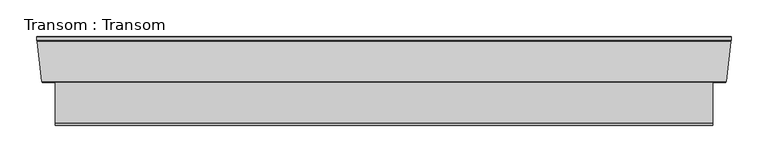
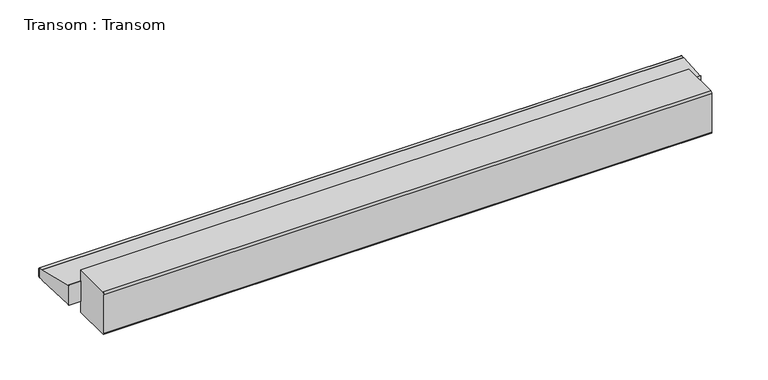
"""IFC4 building model written with IfcOpenShell, lengths in millimetres: proxy geometry, Transom : Transom."""

import ifcopenshell
import ifcopenshell.guid

model = None  # the IFC model being written
_history = None  # IfcOwnerHistory: only IFC2X3 demands one
_inside = {}  # id of a spatial element -> (the spatial element, [elements in it])
_under = {}  # id of a project, library or spatial element -> (it, [spatial elements below it])
_declared = {}  # id of a project -> (the project, [libraries it declares])
_typed = {}  # id of a type object -> (the type object, [elements of that type])
_made_of = {}  # id of a material, layer set ... -> (it, [elements and type objects made of it])


def new_model(schema):
    """Start an empty IFC model of exactly this schema.

    Asked for "IFC4X3", IfcOpenShell would pick the latest addendum, in which some entities
    have other attributes; the version numbers below select the first issue.
    IFC2X3 requires an IfcOwnerHistory on every rooted entity: one is made here for all.
    """
    global model, _history
    if schema == "IFC4X3":
        model = ifcopenshell.file(schema_version=(4, 3, 0, 0))
    else:
        model = ifcopenshell.file(schema=schema)
    _inside.clear()
    _under.clear()
    _declared.clear()
    _typed.clear()
    _made_of.clear()
    _history = None
    if model.schema == "IFC2X3":
        org = make("IfcOrganization", Name="unknown")
        user = make(
            "IfcPersonAndOrganization",
            ThePerson=make("IfcPerson", FamilyName="unknown"),
            TheOrganization=org,
        )
        app = make(
            "IfcApplication",
            ApplicationDeveloper=org,
            Version="unknown",
            ApplicationFullName="unknown",
            ApplicationIdentifier="unknown",
        )
        _history = make(
            "IfcOwnerHistory",
            OwningUser=user,
            OwningApplication=app,
            ChangeAction="ADDED",
            CreationDate=0,
        )
    return model


def make(cls, **values):
    """One entity of the class cls with the attributes given. An attribute that is None is left unset."""
    return model.create_entity(
        cls, **{name: value for name, value in values.items() if value is not None}
    )


def rooted(cls, **values):
    """An entity with a GlobalId (a new one), such as an element, a storey or a relation."""
    return make(cls, GlobalId=ifcopenshell.guid.new(), OwnerHistory=_history, **values)


def si_unit(unit_type, name, prefix=None):
    """IfcSIUnit, for example si_unit("LENGTHUNIT", "METRE", prefix="MILLI")."""
    return make("IfcSIUnit", UnitType=unit_type, Prefix=prefix, Name=name)


def assignment(units):
    """IfcUnitAssignment: the units of a project."""
    return None if units is None else make("IfcUnitAssignment", Units=units)


def point(xyz):
    """IfcCartesianPoint."""
    return None if xyz is None else make("IfcCartesianPoint", Coordinates=xyz)


def direction(xyz):
    """IfcDirection."""
    return None if xyz is None else make("IfcDirection", DirectionRatios=xyz)


def frame(location, z_axis=None, x_axis=None):
    """IfcAxis2Placement3D, a coordinate frame: its origin and axes. An axis left out is left unset."""
    return make(
        "IfcAxis2Placement3D",
        Location=point(location),
        Axis=direction(z_axis),
        RefDirection=direction(x_axis),
    )


def origin():
    """The frame at (0, 0, 0) with its axes left unset."""
    return frame((0.0, 0.0, 0.0))


def place(relative_to, where):
    """IfcLocalPlacement: puts the frame where relative to a parent placement (None: the world)."""
    return make(
        "IfcLocalPlacement", PlacementRelTo=relative_to, RelativePlacement=where
    )


def context(
    kind, dimensions, precision=None, world=None, true_north=None, identifier=None
):
    """IfcGeometricRepresentationContext, for example the 3D "Model" context."""
    return make(
        "IfcGeometricRepresentationContext",
        ContextIdentifier=identifier,
        ContextType=kind,
        CoordinateSpaceDimension=dimensions,
        Precision=precision,
        WorldCoordinateSystem=world,
        TrueNorth=true_north,
    )


def project(units=None, contexts=None):
    """IfcProject with its units and contexts."""
    return rooted(
        "IfcProject",
        Name="project",
        RepresentationContexts=contexts,
        UnitsInContext=assignment(units),
    )


def spatial(cls, under=None, at=None, **own):
    """A site, building, storey or space (cls), placed at a placement, below another one or the project."""
    s = rooted(cls, ObjectPlacement=at, **own)
    if under is not None:
        _under.setdefault(under.id(), (under, []))[1].append(s)
    return s


def polyline(points):
    """IfcPolyline through the points."""
    return make("IfcPolyline", Points=[point(p) for p in points])


def circle_curve(where, radius):
    """IfcCircle in the frame where."""
    return make("IfcCircle", Position=where, Radius=radius)


def ellipse_curve(where, semi_axis1, semi_axis2):
    """IfcEllipse in the frame where."""
    return make(
        "IfcEllipse", Position=where, SemiAxis1=semi_axis1, SemiAxis2=semi_axis2
    )


def shape(context_of_items, identifier, shape_type, items):
    """IfcShapeRepresentation: the items that make up one representation, for example the "Body"."""
    return make(
        "IfcShapeRepresentation",
        ContextOfItems=context_of_items,
        RepresentationIdentifier=identifier,
        RepresentationType=shape_type,
        Items=items,
    )


def source(mapping_origin, context_of_items, identifier, shape_type, items):
    """IfcRepresentationMap: a shape defined once, which mapped items show again and again."""
    return make(
        "IfcRepresentationMap",
        MappingOrigin=mapping_origin,
        MappedRepresentation=shape(context_of_items, identifier, shape_type, items),
    )


def transform(
    local_origin,
    x_axis=None,
    y_axis=None,
    z_axis=None,
    scale=None,
    scale2=None,
    scale3=None,
    uniform=True,
):
    """IfcCartesianTransformationOperator3D, or its non-uniform kind. x_axis, y_axis, z_axis: its Axis1, 2, 3."""
    if uniform:
        return make(
            "IfcCartesianTransformationOperator3D",
            Axis1=direction(x_axis),
            Axis2=direction(y_axis),
            LocalOrigin=point(local_origin),
            Scale=scale,
            Axis3=direction(z_axis),
        )
    return make(
        "IfcCartesianTransformationOperator3DnonUniform",
        Axis1=direction(x_axis),
        Axis2=direction(y_axis),
        LocalOrigin=point(local_origin),
        Scale=scale,
        Axis3=direction(z_axis),
        Scale2=scale2,
        Scale3=scale3,
    )


def mapped(mapping_source, mapping_target):
    """IfcMappedItem: shows the shape of a source again, moved by a transform."""
    return make(
        "IfcMappedItem", MappingSource=mapping_source, MappingTarget=mapping_target
    )


def made_of(thing, what):
    """Note that an element or type object is made of a material, layer set ...; save() writes the relation."""
    if what is not None:
        _made_of.setdefault(what.id(), (what, []))[1].append(thing)
    return thing


def element(
    cls,
    number,
    at=None,
    inside=None,
    cuts=None,
    type_object=None,
    material=None,
    context=None,
    identifier="Body",
    shape_type=None,
    held_by="IfcProductDefinitionShape",
    body=None,
    shapes=None,
    **own,
):
    """One element of the class cls, such as IfcWall. Its Tag is "e" and its number.

    at: its placement. inside: the storey or other place that contains it. cuts: it is an
    opening in that element (IfcRelVoidsElement). A single representation is given by context,
    identifier, shape_type and body (its items); several are given by shapes. held_by: the class
    of the entity that holds the representations. save() writes the other relations.
    """
    e = rooted(cls, Tag="e%d" % number, ObjectPlacement=at, **own)
    if body is not None:
        shapes = [shape(context, identifier, shape_type, body)]
    if shapes is not None:
        e.Representation = make(held_by, Representations=shapes)
    if inside is not None:
        _inside.setdefault(inside.id(), (inside, []))[1].append(e)
    if cuts is not None:
        rooted(
            "IfcRelVoidsElement", RelatingBuildingElement=cuts, RelatedOpeningElement=e
        )
    if type_object is not None:
        _typed.setdefault(type_object.id(), (type_object, []))[1].append(e)
    return made_of(e, material)


def aggregate(whole, parts):
    """IfcRelAggregates: a whole, such as a stair, and the parts it consists of."""
    return rooted("IfcRelAggregates", RelatingObject=whole, RelatedObjects=parts)


def save(model, path):
    """Write the relations noted so far, then the file.

    IfcRelAggregates (storeys below a building ...), IfcRelContainedInSpatialStructure (elements
    in a storey), IfcRelDefinesByType, IfcRelAssociatesMaterial and IfcRelDeclares: one each for
    every whole, place, type object, material and project.
    """
    for whole, parts in _under.values():
        aggregate(whole, parts)
    for where, things in _inside.values():
        rooted(
            "IfcRelContainedInSpatialStructure",
            RelatedElements=things,
            RelatingStructure=where,
        )
    for kind, things in _typed.values():
        rooted("IfcRelDefinesByType", RelatedObjects=things, RelatingType=kind)
    for what, things in _made_of.values():
        rooted("IfcRelAssociatesMaterial", RelatedObjects=things, RelatingMaterial=what)
    for by, libraries in _declared.values():
        rooted("IfcRelDeclares", RelatingContext=by, RelatedDefinitions=libraries)
    model.write(path)


def plane_surface(at):
    """IfcPlane: the flat surface through the origin of the frame at, square to its z axis."""
    return make("IfcPlane", Position=at)


def cylinder_surface(at, radius):
    """IfcCylindricalSurface: all points at the distance radius from the z axis of the frame at."""
    return make("IfcCylindricalSurface", Position=at, Radius=radius)


def revolved_surface(curve, axis_point, axis_direction):
    """IfcSurfaceOfRevolution: the curve turned about the line through axis_point along axis_direction."""
    return make(
        "IfcSurfaceOfRevolution",
        SweptCurve=make("IfcArbitraryOpenProfileDef", ProfileType="CURVE", Curve=curve),
        AxisPosition=make("IfcAxis1Placement", Location=point(axis_point), Axis=direction(axis_direction)),
    )


def advanced_brep(points, edges, surfaces, faces):
    """IfcAdvancedBrep: a solid bounded by faces that lie on surfaces and meet in shared edges.

    An edge is (start, end): straight between two places in points (the first is 0);
    or (start, end, curve); or (start, end, curve, False) where it runs against its curve.
    A face is (place in surfaces, loops), or (place, loops, False) where it looks against
    its surface's normal. A loop lists edges by number (the first is 1), with a minus sign
    where the edge is run from its end to its start. The first loop is the outer one.
    """
    corners = [point(p) for p in points]
    vertices = [make("IfcVertexPoint", VertexGeometry=c) for c in corners]
    made = []
    for start, end, *more in edges:
        made.append(
            make(
                "IfcEdgeCurve",
                EdgeStart=vertices[start],
                EdgeEnd=vertices[end],
                EdgeGeometry=more[0] if more else make("IfcPolyline", Points=[corners[start], corners[end]]),
                SameSense=more[1] if len(more) > 1 else True,
            )
        )
    hull = []
    for where, loops, *sense in faces:
        bounds = []
        for j, loop in enumerate(loops):
            ring = [make("IfcOrientedEdge", EdgeElement=made[abs(k) - 1], Orientation=k > 0) for k in loop]
            bounds.append(
                make(
                    "IfcFaceOuterBound" if j == 0 else "IfcFaceBound",
                    Bound=make("IfcEdgeLoop", EdgeList=ring),
                    Orientation=True,
                )
            )
        hull.append(make("IfcAdvancedFace", Bounds=bounds, FaceSurface=surfaces[where], SameSense=sense[0] if sense else True))
    return make("IfcAdvancedBrep", Outer=make("IfcClosedShell", CfsFaces=hull))


def transom_transom_7e4b1d4c(model_context):
    return source(origin(), model_context, "Body", "AdvancedBrep", [
        advanced_brep(
        [(425.744126, -63.0, -16.3270879), (425.744126, -63.0, -33.0), (-474.255874, -63.0, -33.0), (-474.255874, -63.0, -16.3270879), (425.744126, -119.0, -33.0), (-474.255874, -119.0, -33.0), (425.744126, -122.0, -30.0), (425.744126, -122.0, 30.0), (-474.255874, -122.0, 30.0), (-474.255874, -122.0, -30.0), (425.744126, -119.0, 33.0), (425.744126, -63.0, 33.0), (-474.255874, -63.0, 33.0), (-474.255874, -119.0, 33.0), (425.744126, -63.0, 16.3270879), (-474.255874, -63.0, 16.3270879), (443.9024514, -61.7105435, 14.8419376), (450.566151, -7.4390653, 8.1893048), (-499.0778989, -7.4390653, 8.1893048), (-492.4141993, -61.7105435, 14.8419376), (450.566151, -7.4390653, -8.1893048), (443.9024514, -61.7105435, -14.8419376), (-492.4141993, -61.7105435, -14.8419376), (-499.0778989, -7.4390653, -8.1893048), (443.744126, -63.0, -16.3270879), (443.744126, -63.0, 16.3270879), (451.344126, -1.0, 7.4), (451.344126, -1.0, -7.4), (451.344126, 0.0, -6.4), (451.344126, 0.0, 6.4), (450.7800457, -5.6970329, -7.4), (450.7800457, -5.6970329, 7.4), (-492.255874, -63.0, 16.3270879), (-492.255874, -63.0, -16.3270879), (-499.855874, -1.0, -7.4), (-499.855874, -1.0, 7.4), (-499.855874, 0.0, 6.4), (-499.855874, 0.0, -6.4), (-499.2917936, -5.6970329, 7.4), (-499.2917936, -5.6970329, -7.4)],
        [
            (0, 1),
            (1, 2),
            (2, 3),
            (3, 0),
            (1, 4),
            (4, 5),
            (5, 2),
            (6, 7),
            (7, 8),
            (8, 9),
            (9, 6),
            (10, 11),
            (11, 12),
            (12, 13),
            (13, 10),
            (11, 14),
            (14, 15),
            (15, 12),
            (16, 17),
            (17, 18),
            (18, 19),
            (19, 16),
            (20, 21),
            (21, 22),
            (22, 23),
            (23, 20),
            (14, 0),
            (0, 24),
            (24, 25),
            (25, 14),
            (10, 7, circle_curve(frame((425.744126, -119.0, 30.0), z_axis=(1.0, 0.0, 0.0), x_axis=(0.0, 0.0, 1.0)), 3.0)),
            (6, 4, circle_curve(frame((425.744126, -119.0, -30.0), z_axis=(1.0, 0.0, 0.0), x_axis=(0.0, 0.0, 1.0)), 3.0)),
            (26, 27),
            (27, 28, circle_curve(frame((451.344126, -1.0, -6.4), z_axis=(1.0, 0.0, 0.0), x_axis=(0.0, 0.0, 1.0)), 1.0)),
            (28, 29),
            (29, 26, circle_curve(frame((451.344126, -1.0, 6.4), z_axis=(1.0, 0.0, 0.0), x_axis=(0.0, 0.0, 1.0)), 1.0)),
            (24, 21, ellipse_curve(frame((443.9283029, -61.5, -16.3270879), z_axis=(-0.9925461516413194, 0.1218693434051685, 0.0), x_axis=(0.1218693434051688, 0.9925461516413193, 0.0)), 1.5112647, 1.5)),
            (20, 30),
            (30, 27),
            (26, 31),
            (31, 17),
            (16, 25, ellipse_curve(frame((443.9283029, -61.5, 16.3270879), z_axis=(-0.9925461516413194, 0.1218693434051685, 0.0), x_axis=(0.1218693434051688, 0.9925461516413193, 0.0)), 1.5112647, 1.5)),
            (3, 15),
            (15, 32),
            (32, 33),
            (33, 3),
            (5, 9, circle_curve(frame((-474.255874, -119.0, -30.0), z_axis=(-1.0, 0.0, 0.0), x_axis=(0.0, 0.0, 1.0)), 3.0)),
            (8, 13, circle_curve(frame((-474.255874, -119.0, 30.0), z_axis=(-1.0, 0.0, 0.0), x_axis=(0.0, 0.0, 1.0)), 3.0)),
            (34, 35),
            (35, 36, circle_curve(frame((-499.855874, -1.0, 6.4), z_axis=(-1.0, 0.0, 0.0), x_axis=(0.0, 0.0, 1.0)), 1.0)),
            (36, 37),
            (37, 34, circle_curve(frame((-499.855874, -1.0, -6.4), z_axis=(-1.0, 0.0, 0.0), x_axis=(0.0, 0.0, 1.0)), 1.0)),
            (32, 19, ellipse_curve(frame((-492.4400508, -61.5, 16.3270879), z_axis=(0.9925461516413218, 0.12186934340514957, 0.0), x_axis=(0.12186934340514949, -0.9925461516413219, 0.0)), 1.5112647, 1.5)),
            (18, 38),
            (38, 35),
            (34, 39),
            (39, 23),
            (22, 33, ellipse_curve(frame((-492.4400508, -61.5, -16.3270879), z_axis=(0.9925461516413218, 0.12186934340514957, 0.0), x_axis=(0.12186934340514949, -0.9925461516413219, 0.0)), 1.5112647, 1.5)),
            (31, 38),
            (26, 35),
            (29, 36),
            (28, 37),
            (27, 34),
            (30, 39),
        ],
        [
            plane_surface(frame((-524.255874, -63.0, -16.3270879), z_axis=(0.0, 1.0, 0.0), x_axis=(1.0, 0.0, 0.0))),
            plane_surface(frame((-524.255874, -63.0, -33.0), z_axis=(0.0, 0.0, -1.0), x_axis=(1.0, 0.0, 0.0))),
            plane_surface(frame((-524.255874, -122.0, -30.0), z_axis=(0.0, -1.0, 0.0), x_axis=(1.0, 0.0, 0.0))),
            plane_surface(frame((-524.255874, -119.0, 33.0), z_axis=(0.0, 0.0, 1.0), x_axis=(1.0, 0.0, 0.0))),
            plane_surface(frame((-524.255874, -63.0, 33.0), z_axis=(0.0, 1.0, 0.0), x_axis=(1.0, 0.0, 0.0))),
            plane_surface(frame((-524.255874, -61.7105435, 14.8419376), z_axis=(0.0, 0.12166994625706042, 0.992570614202236), x_axis=(1.0, 0.0, 0.0))),
            plane_surface(frame((-524.255874, -7.4390653, -8.1893048), z_axis=(0.0, 0.12166994625704212, -0.9925706142022382), x_axis=(1.0, 0.0, 0.0))),
            plane_surface(frame((443.744126, -63.0, 250.0), z_axis=(0.0, -1.0, 0.0), x_axis=(0.0, 0.0, -1.0))),
            plane_surface(frame((425.744126, -63.0, 250.0), z_axis=(1.0, 0.0, 0.0), x_axis=(0.0, 0.0, -1.0))),
            plane_surface(frame((451.344126, 0.0, 250.0), z_axis=(1.0, 0.0, 0.0), x_axis=(0.0, 0.0, -1.0))),
            plane_surface(frame((451.344126, -1.1029671, 250.0), z_axis=(0.9925461516413194, -0.1218693434051685, 0.0), x_axis=(0.0, 0.0, -1.0))),
            plane_surface(frame((-474.255874, -63.0, 250.0), z_axis=(0.0, -1.0, 0.0), x_axis=(0.0, 0.0, -1.0))),
            plane_surface(frame((-474.255874, -122.0, 250.0), z_axis=(-1.0, 0.0, 0.0), x_axis=(0.0, 0.0, -1.0))),
            plane_surface(frame((-499.855874, -1.1029671, 250.0), z_axis=(-1.0, 0.0, 0.0), x_axis=(0.0, 0.0, -1.0))),
            plane_surface(frame((-492.255874, -63.0, 250.0), z_axis=(-0.9925461516413218, -0.12186934340514957, 0.0), x_axis=(0.0, 0.0, -1.0))),
            revolved_surface(polyline([(444.11247973670044, -61.5, -14.827087899999999), (-492.62422763670037, -61.5, -14.827087899999999)]), (475.744126, -61.5, -16.3270879), (1.0, 0.0, 0.0)),
            cylinder_surface(frame((475.744126, -119.0, -30.0), z_axis=(-1.0, 0.0, 0.0), x_axis=(0.0, 0.0, 1.0)), 3.0),
            cylinder_surface(frame((475.744126, -119.0, 30.0), z_axis=(-1.0, 0.0, 0.0), x_axis=(0.0, 0.0, 1.0)), 3.0),
            revolved_surface(polyline([(444.11247973670044, -61.5, 17.8270879), (-492.62422763670037, -61.5, 17.8270879)]), (475.744126, -61.5, 16.3270879), (1.0, 0.0, 0.0)),
            plane_surface(frame((-524.255874, -7.4390653, 8.1893048), z_axis=(0.0, 0.4127070888885561, 0.9108637981504883), x_axis=(1.0, 0.0, 0.0))),
            plane_surface(frame((-524.255874, -5.6970329, 7.4), z_axis=(0.0, 0.0, 1.0), x_axis=(1.0, 0.0, 0.0))),
            cylinder_surface(frame((475.744126, -1.0, 6.4), z_axis=(-1.0, 0.0, 0.0), x_axis=(0.0, 0.0, 1.0)), 1.0),
            plane_surface(frame((-524.255874, 0.0, 6.4), z_axis=(0.0, 1.0, 0.0), x_axis=(1.0, 0.0, 0.0))),
            cylinder_surface(frame((475.744126, -1.0, -6.4), z_axis=(-1.0, 0.0, 0.0), x_axis=(0.0, 0.0, 1.0)), 1.0),
            plane_surface(frame((-524.255874, -1.0, -7.4), z_axis=(0.0, 0.0, -1.0), x_axis=(1.0, 0.0, 0.0))),
            plane_surface(frame((-524.255874, -5.6970329, -7.4), z_axis=(0.0, 0.41270708890017077, -0.9108637981452258), x_axis=(1.0, 0.0, 0.0))),
        ],
        [
            (0, [[1, 2, 3, 4]]),
            (1, [[5, 6, 7, -2]]),
            (2, [[8, 9, 10, 11]]),
            (3, [[12, 13, 14, 15]]),
            (4, [[16, 17, 18, -13]]),
            (5, [[19, 20, 21, 22]]),
            (6, [[23, 24, 25, 26]]),
            (7, [[27, 28, 29, 30]]),
            (8, [[-27, -16, -12, 31, -8, 32, -5, -1]]),
            (9, [[33, 34, 35, 36]]),
            (10, [[-29, 37, -23, 38, 39, -33, 40, 41, -19, 42]]),
            (11, [[43, 44, 45, 46]]),
            (12, [[-43, -3, -7, 47, -10, 48, -14, -18]]),
            (13, [[49, 50, 51, 52]]),
            (14, [[-45, 53, -21, 54, 55, -49, 56, 57, -25, 58]]),
            (15, [[-28, -4, -46, -58, -24, -37]]),
            (16, [[-32, -11, -47, -6]]),
            (17, [[-31, -15, -48, -9]]),
            (18, [[-30, -42, -22, -53, -44, -17]]),
            (19, [[-41, 59, -54, -20]]),
            (20, [[-40, 60, -55, -59]]),
            (21, [[-36, 61, -50, -60]]),
            (22, [[-35, 62, -51, -61]]),
            (23, [[-34, 63, -52, -62]]),
            (24, [[-39, 64, -56, -63]]),
            (25, [[-38, -26, -57, -64]]),
        ],
    ),
    ])


if __name__ == "__main__":
    model = new_model("IFC4")
    model_context = context("Model", 3, world=origin())
    ifc_project = project(units=[si_unit("LENGTHUNIT", "METRE", prefix="MILLI")], contexts=[model_context])
    site = spatial("IfcSite", under=ifc_project)
    building = spatial("IfcBuilding", under=site)
    placement = place(None, origin())
    transom_transom_shape = transom_transom_7e4b1d4c(model_context)
    element("IfcBuildingElementProxy", 1, Name="Transom : Transom", ObjectType="Transom : Transom", at=placement, inside=building, context=model_context, shape_type="MappedRepresentation", body=[
        mapped(transom_transom_shape, transform((0.0, 0.0, 0.0), x_axis=(1.0, 0.0, 0.0), y_axis=(0.0, 1.0, 0.0), z_axis=(0.0, 0.0, 1.0))),
    ])
    save(model, "model.ifc")
